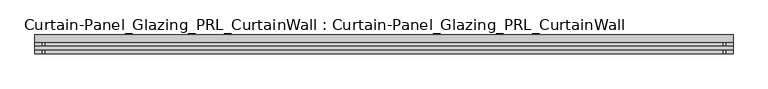
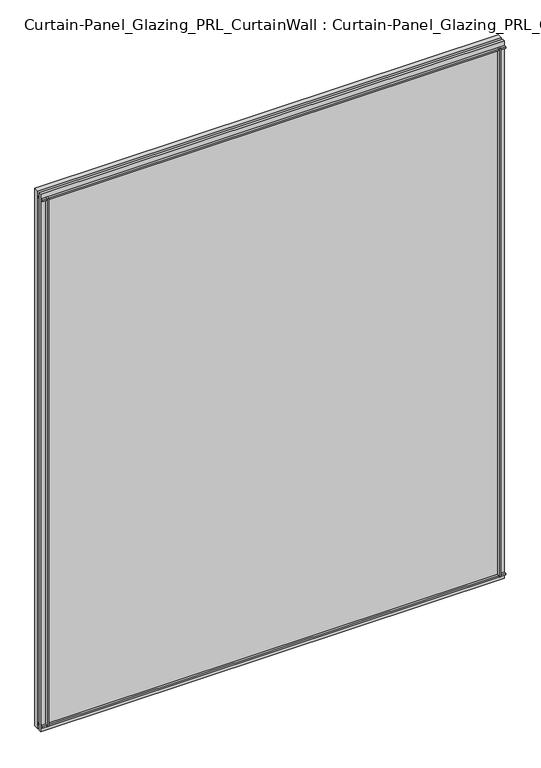
"""IFC4 building model written with IfcOpenShell, lengths in millimetres: plate geometry, Curtain-Panel_Glazing_PRL_CurtainWall : Curtain-Panel_Glazing_PRL_CurtainWall."""

from ifc_helpers import new_model, si_unit, frame, origin, origin_with_axes, place, context, project, spatial, polyline, outline, extrude, source, transform, mapped, element, save


def curtain_panel_glazing_prl_curtainwall_curtain_panel_glazing_b77697c5(model_context):
    return source(origin(), model_context, "Body", "SweptSolid", [
        extrude(outline(polyline([(1447.8, 590.55), (1447.8, -590.55), (0.0, -590.55), (0.0, 590.55), (1447.8, 590.55)]), holes=[polyline([(12.7, 577.85), (12.7, -577.85), (1435.1, -577.85), (1435.1, 577.85), (12.7, 577.85)])]), frame((0.0, 0.0, 0.0), z_axis=(0.0, 1.0, 0.0), x_axis=(0.0, 0.0, 1.0)), (0.0, 0.0, 1.0), 12.7),
        extrude(outline(polyline([(577.85, -19.05), (573.88125, -19.05), (573.88125, -12.7), (577.85, -12.7), (577.85, -19.05)])), frame((0.0, 0.0, 12.7), z_axis=(0.0, 0.0, 1.0), x_axis=(1.0, 0.0, 0.0)), (0.0, 0.0, 1.0), 1422.4),
        extrude(outline(polyline([(577.85, 0.0), (577.85, -6.35), (573.88125, -6.35), (573.88125, 0.0), (577.85, 0.0)])), frame((0.0, 0.0, 12.7), z_axis=(0.0, 0.0, 1.0), x_axis=(1.0, 0.0, 0.0)), (0.0, 0.0, 1.0), 1422.4),
        extrude(outline(polyline([(-577.85, -19.05), (-577.85, -12.7), (-573.88125, -12.7), (-573.88125, -19.05), (-577.85, -19.05)])), frame((0.0, 0.0, 12.7), z_axis=(0.0, 0.0, 1.0), x_axis=(1.0, 0.0, 0.0)), (0.0, 0.0, 1.0), 1422.4),
        extrude(outline(polyline([(-577.85, 0.0), (-573.88125, 0.0), (-573.88125, -6.35), (-577.85, -6.35), (-577.85, 0.0)])), frame((0.0, 0.0, 12.7), z_axis=(0.0, 0.0, 1.0), x_axis=(1.0, 0.0, 0.0)), (0.0, 0.0, 1.0), 1422.4),
        extrude(outline(polyline([(590.55, -6.35), (590.55, -12.7), (-590.55, -12.7), (-590.55, -6.35), (590.55, -6.35)])), origin_with_axes(), (0.0, 0.0, 1.0), 1447.8),
        extrude(outline(polyline([(-590.55, -19.05), (-590.55, -12.7), (590.55, -12.7), (590.55, -19.05), (-590.55, -19.05)])), frame((0.0, 0.0, 1431.13125), z_axis=(0.0, 0.0, 1.0), x_axis=(1.0, 0.0, 0.0)), (0.0, 0.0, 1.0), 3.96875),
        extrude(outline(polyline([(-590.55, 0.0), (590.55, 0.0), (590.55, -6.35), (-590.55, -6.35), (-590.55, 0.0)])), frame((0.0, 0.0, 1431.13125), z_axis=(0.0, 0.0, 1.0), x_axis=(1.0, 0.0, 0.0)), (0.0, 0.0, 1.0), 3.96875),
        extrude(outline(polyline([(-590.55, -19.05), (-590.55, -12.7), (590.55, -12.7), (590.55, -19.05), (-590.55, -19.05)])), frame((0.0, 0.0, 12.7), z_axis=(0.0, 0.0, 1.0), x_axis=(1.0, 0.0, 0.0)), (0.0, 0.0, 1.0), 3.96875),
        extrude(outline(polyline([(-590.55, 0.0), (590.55, 0.0), (590.55, -6.35), (-590.55, -6.35), (-590.55, 0.0)])), frame((0.0, 0.0, 12.7), z_axis=(0.0, 0.0, 1.0), x_axis=(1.0, 0.0, 0.0)), (0.0, 0.0, 1.0), 3.96875),
    ])


if __name__ == "__main__":
    model = new_model("IFC4")
    model_context = context("Model", 3, world=origin())
    ifc_project = project(units=[si_unit("LENGTHUNIT", "METRE", prefix="MILLI")], contexts=[model_context])
    site = spatial("IfcSite", under=ifc_project)
    building = spatial("IfcBuilding", under=site)
    placement = place(None, origin())
    curtain_panel_glazing_prl_curtainwall_curtain_panel_glazing_shape = curtain_panel_glazing_prl_curtainwall_curtain_panel_glazing_b77697c5(model_context)
    element("IfcPlate", 1, ObjectType="Curtain-Panel_Glazing_PRL_CurtainWall : Curtain-Panel_Glazing_PRL_CurtainWall", at=placement, inside=building, context=model_context, shape_type="MappedRepresentation", body=[
        mapped(curtain_panel_glazing_prl_curtainwall_curtain_panel_glazing_shape, transform((0.0, 0.0, 0.0), x_axis=(1.0, 0.0, 0.0), y_axis=(0.0, 1.0, 0.0), z_axis=(0.0, 0.0, 1.0))),
    ])
    save(model, "model.ifc")
